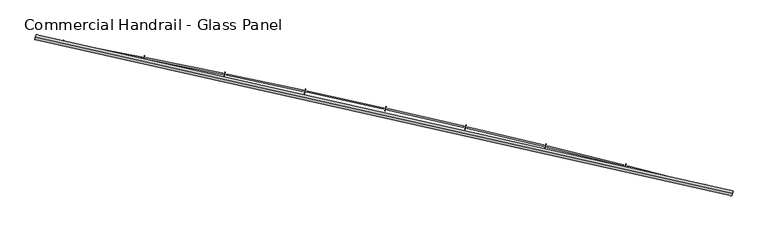
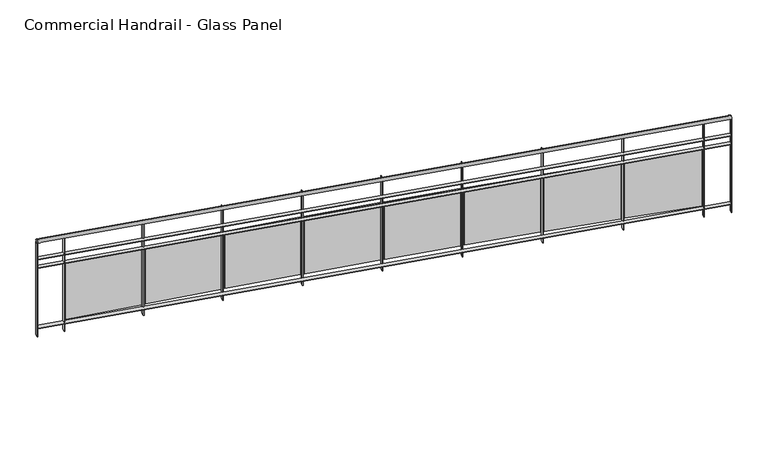
"""IFC4 building model written with IfcOpenShell, lengths in millimetres: railing geometry, Commercial Handrail - Glass Panel."""

from ifc_helpers import new_model, si_unit, point, frame, origin, place, context, project, spatial, polyline, circle_curve, ellipse_curve, trimmed, outline, extrude, source, transform, mapped, element, save
from ifc_brep_helpers import plane_surface, cylinder_surface, revolved_surface, advanced_brep


def commercial_handrail_glass_panel_d1165701(model_context):
    return source(origin(), model_context, "Body", "SolidModel", [
        advanced_brep(
        [(147529.5593555, -11171.1779597, 19682.5), (140754.7489821, -9648.612099, 19682.5), (140754.7489821, -9648.612099, 19717.5), (147529.5593555, -11171.1779597, 19717.5)],
        [
            (0, 1, circle_curve(frame((123990.1653691, -100078.2018552, 19682.5), z_axis=(0.0, 0.0, 1.0), x_axis=(0.18228230158229036, 0.9832462369772197, 0.0)), 91970.4407253)),
            (1, 2, ellipse_curve(frame((140754.7489821, -9648.612099, 19700.0), z_axis=(0.9832462369772187, -0.18228230158229672, 0.0), x_axis=(-0.1822823015822967, -0.9832462369772185, 0.0)), 25.0, 17.5)),
            (2, 3, circle_curve(frame((123990.1653691, -100078.2018552, 19717.5), z_axis=(0.0, 0.0, -1.0), x_axis=(0.18228230158229036, 0.9832462369772197, 0.0)), 91970.4407253)),
            (3, 0, ellipse_curve(frame((147529.5593555, -11171.1779597, 19700.0), z_axis=(-0.9666912890096803, 0.2559452124045356, 0.0), x_axis=(-0.2559452124045356, -0.9666912890096803, 0.0)), 25.0, 17.5)),
            (2, 1, ellipse_curve(frame((140754.7489821, -9648.612099, 19700.0), z_axis=(0.9832462369772187, -0.18228230158229672, 0.0), x_axis=(-0.1822823015822967, -0.9832462369772185, 0.0)), 25.0, 17.5)),
            (0, 3, ellipse_curve(frame((147529.5593555, -11171.1779597, 19700.0), z_axis=(-0.9666912890096803, 0.2559452124045356, 0.0), x_axis=(-0.2559452124045356, -0.9666912890096803, 0.0)), 25.0, 17.5)),
        ],
        [
            revolved_surface(trimmed(ellipse_curve(frame((140754.7489821, -9648.612099, 19700.0), z_axis=(-0.9832462369772197, 0.18228230158229036, 0.0), x_axis=(0.0, 0.0, -1.0)), 17.5, 25.0), [point((140754.7489821, -9648.612099, 19717.5))], [point((140754.7489821, -9648.612099, 19682.5))], True, "CARTESIAN"), (123990.1653691, -100078.2018552, 19700.0), (0.0, 0.0, -1.0)),
            revolved_surface(trimmed(ellipse_curve(frame((140754.7489821, -9648.612099, 19700.0), z_axis=(-0.9832462369772197, 0.18228230158229036, 0.0), x_axis=(0.0, 0.0, -1.0)), 17.5, 25.0), [point((140754.7489821, -9648.612099, 19682.5))], [point((140754.7489821, -9648.612099, 19717.5))], True, "CARTESIAN"), (123990.1653691, -100078.2018552, 19700.0), (0.0, 0.0, -1.0)),
            plane_surface(frame((140754.7489821, -9648.612099, 19700.0), z_axis=(-0.9832462369772198, 0.1822823015822904, 0.0), x_axis=(0.1822823015822904, 0.9832462369772198, 0.0))),
            plane_surface(frame((147529.5593555, -11171.1779597, 19700.0), z_axis=(0.9666912890096803, -0.25594521240453566, 0.0), x_axis=(0.25594521240453566, 0.9666912890096803, 0.0))),
        ],
        [
            (0, [[1, 2, 3, 4]]),
            (1, [[-3, 5, -1, 6]]),
            (2, [[-2, -5]]),
            (3, [[-6, -4]]),
        ],
    ),
        advanced_brep(
        [(147535.3181228, -11149.4274057, 19500.0), (140758.8503338, -9626.4890586, 19500.0), (140750.6476303, -9670.7351393, 19500.0), (147523.8005882, -11192.9285137, 19500.0), (147535.3181228, -11149.4274057, 19494.0), (140758.8503338, -9626.4890586, 19494.0), (147523.8005882, -11192.9285137, 19494.0), (140750.6476303, -9670.7351393, 19494.0)],
        [
            (0, 1, circle_curve(frame((123990.1653691, -100078.2018552, 19500.0), z_axis=(0.0, 0.0, 1.0), x_axis=(0.18228230158229036, 0.9832462369772197, 0.0)), 91992.9407253)),
            (1, 2),
            (2, 3, circle_curve(frame((123990.1653691, -100078.2018552, 19500.0), z_axis=(0.0, 0.0, -1.0), x_axis=(0.18228230158229036, 0.9832462369772197, 0.0)), 91947.9407253)),
            (3, 0),
            (4, 5, circle_curve(frame((123990.1653691, -100078.2018552, 19494.0), z_axis=(0.0, 0.0, 1.0), x_axis=(0.18228230158229036, 0.9832462369772197, 0.0)), 91992.9407253)),
            (5, 1),
            (0, 4),
            (6, 7, circle_curve(frame((123990.1653691, -100078.2018552, 19494.0), z_axis=(0.0, 0.0, 1.0), x_axis=(0.18228230158229036, 0.9832462369772197, 0.0)), 91947.9407253)),
            (7, 5),
            (4, 6),
            (2, 7),
            (6, 3),
        ],
        [
            plane_surface(frame((123990.1653691, -100078.2018552, 19500.0), z_axis=(0.0, 0.0, 1.0), x_axis=(0.18228230158229036, 0.9832462369772197, 0.0))),
            cylinder_surface(frame((123990.1653691, -100078.2018552, 19500.0), z_axis=(0.0, 0.0, -1.0), x_axis=(0.18228230158229036, 0.9832462369772197, 0.0)), 91992.9407253),
            plane_surface(frame((123990.1653691, -100078.2018552, 19494.0), z_axis=(0.0, 0.0, -1.0), x_axis=(0.18228230158229036, 0.9832462369772197, 0.0))),
            revolved_surface(polyline([(140750.6476302597, -9670.735139244323, 19494.0), (140750.6476302597, -9670.735139244323, 19500.0)]), (123990.1653691, -100078.2018552, 19500.0), (0.0, 0.0, -1.0)),
            plane_surface(frame((140754.7489821, -9648.612099, 19500.0), z_axis=(-0.9832462369772198, 0.1822823015822904, 0.0), x_axis=(0.1822823015822904, 0.9832462369772198, 0.0))),
            plane_surface(frame((147529.5593555, -11171.1779597, 19500.0), z_axis=(0.9666912890096803, -0.25594521240453566, 0.0), x_axis=(0.25594521240453566, 0.9666912890096803, 0.0))),
        ],
        [
            (0, [[1, 2, 3, 4]]),
            (1, [[5, 6, -1, 7]]),
            (2, [[8, 9, -5, 10]]),
            (3, [[-3, 11, -8, 12]]),
            (4, [[-2, -6, -9, -11]]),
            (5, [[-12, -10, -7, -4]]),
        ],
    ),
        advanced_brep(
        [(147535.3181228, -11149.4274057, 19400.0), (140758.8503338, -9626.4890586, 19400.0), (140750.6476303, -9670.7351393, 19400.0), (147523.8005882, -11192.9285137, 19400.0), (147535.3181228, -11149.4274057, 19394.0), (140758.8503338, -9626.4890586, 19394.0), (147523.8005882, -11192.9285137, 19394.0), (140750.6476303, -9670.7351393, 19394.0)],
        [
            (0, 1, circle_curve(frame((123990.1653691, -100078.2018552, 19400.0), z_axis=(0.0, 0.0, 1.0), x_axis=(0.18228230158229036, 0.9832462369772197, 0.0)), 91992.9407253)),
            (1, 2),
            (2, 3, circle_curve(frame((123990.1653691, -100078.2018552, 19400.0), z_axis=(0.0, 0.0, -1.0), x_axis=(0.18228230158229036, 0.9832462369772197, 0.0)), 91947.9407253)),
            (3, 0),
            (4, 5, circle_curve(frame((123990.1653691, -100078.2018552, 19394.0), z_axis=(0.0, 0.0, 1.0), x_axis=(0.18228230158229036, 0.9832462369772197, 0.0)), 91992.9407253)),
            (5, 1),
            (0, 4),
            (6, 7, circle_curve(frame((123990.1653691, -100078.2018552, 19394.0), z_axis=(0.0, 0.0, 1.0), x_axis=(0.18228230158229036, 0.9832462369772197, 0.0)), 91947.9407253)),
            (7, 5),
            (4, 6),
            (2, 7),
            (6, 3),
        ],
        [
            plane_surface(frame((123990.1653691, -100078.2018552, 19400.0), z_axis=(0.0, 0.0, 1.0), x_axis=(0.18228230158229036, 0.9832462369772197, 0.0))),
            cylinder_surface(frame((123990.1653691, -100078.2018552, 19400.0), z_axis=(0.0, 0.0, -1.0), x_axis=(0.18228230158229036, 0.9832462369772197, 0.0)), 91992.9407253),
            plane_surface(frame((123990.1653691, -100078.2018552, 19394.0), z_axis=(0.0, 0.0, -1.0), x_axis=(0.18228230158229036, 0.9832462369772197, 0.0))),
            revolved_surface(polyline([(140750.6476302597, -9670.735139244323, 19394.0), (140750.6476302597, -9670.735139244323, 19400.0)]), (123990.1653691, -100078.2018552, 19400.0), (0.0, 0.0, -1.0)),
            plane_surface(frame((140754.7489821, -9648.612099, 19400.0), z_axis=(-0.9832462369772198, 0.1822823015822904, 0.0), x_axis=(0.1822823015822904, 0.9832462369772198, 0.0))),
            plane_surface(frame((147529.5593555, -11171.1779597, 19400.0), z_axis=(0.9666912890096803, -0.25594521240453566, 0.0), x_axis=(0.25594521240453566, 0.9666912890096803, 0.0))),
        ],
        [
            (0, [[1, 2, 3, 4]]),
            (1, [[5, 6, -1, 7]]),
            (2, [[8, 9, -5, 10]]),
            (3, [[-3, 11, -8, 12]]),
            (4, [[-2, -6, -9, -11]]),
            (5, [[-12, -10, -7, -4]]),
        ],
    ),
        advanced_brep(
        [(147535.3181228, -11149.4274057, 18700.0), (140758.8503338, -9626.4890586, 18700.0), (140750.6476303, -9670.7351393, 18700.0), (147523.8005882, -11192.9285137, 18700.0), (147535.3181228, -11149.4274057, 18694.0), (140758.8503338, -9626.4890586, 18694.0), (147523.8005882, -11192.9285137, 18694.0), (140750.6476303, -9670.7351393, 18694.0)],
        [
            (0, 1, circle_curve(frame((123990.1653691, -100078.2018552, 18700.0), z_axis=(0.0, 0.0, 1.0), x_axis=(0.18228230158229036, 0.9832462369772197, 0.0)), 91992.9407253)),
            (1, 2),
            (2, 3, circle_curve(frame((123990.1653691, -100078.2018552, 18700.0), z_axis=(0.0, 0.0, -1.0), x_axis=(0.18228230158229036, 0.9832462369772197, 0.0)), 91947.9407253)),
            (3, 0),
            (4, 5, circle_curve(frame((123990.1653691, -100078.2018552, 18694.0), z_axis=(0.0, 0.0, 1.0), x_axis=(0.18228230158229036, 0.9832462369772197, 0.0)), 91992.9407253)),
            (5, 1),
            (0, 4),
            (6, 7, circle_curve(frame((123990.1653691, -100078.2018552, 18694.0), z_axis=(0.0, 0.0, 1.0), x_axis=(0.18228230158229036, 0.9832462369772197, 0.0)), 91947.9407253)),
            (7, 5),
            (4, 6),
            (2, 7),
            (6, 3),
        ],
        [
            plane_surface(frame((123990.1653691, -100078.2018552, 18700.0), z_axis=(0.0, 0.0, 1.0), x_axis=(0.18228230158229036, 0.9832462369772197, 0.0))),
            cylinder_surface(frame((123990.1653691, -100078.2018552, 18700.0), z_axis=(0.0, 0.0, -1.0), x_axis=(0.18228230158229036, 0.9832462369772197, 0.0)), 91992.9407253),
            plane_surface(frame((123990.1653691, -100078.2018552, 18694.0), z_axis=(0.0, 0.0, -1.0), x_axis=(0.18228230158229036, 0.9832462369772197, 0.0))),
            revolved_surface(polyline([(140750.6476302597, -9670.735139244323, 18694.0), (140750.6476302597, -9670.735139244323, 18700.0)]), (123990.1653691, -100078.2018552, 18700.0), (0.0, 0.0, -1.0)),
            plane_surface(frame((140754.7489821, -9648.612099, 18700.0), z_axis=(-0.9832462369772198, 0.1822823015822904, 0.0), x_axis=(0.1822823015822904, 0.9832462369772198, 0.0))),
            plane_surface(frame((147529.5593555, -11171.1779597, 18700.0), z_axis=(0.9666912890096803, -0.25594521240453566, 0.0), x_axis=(0.25594521240453566, 0.9666912890096803, 0.0))),
        ],
        [
            (0, [[1, 2, 3, 4]]),
            (1, [[5, 6, -1, 7]]),
            (2, [[8, 9, -5, 10]]),
            (3, [[-3, 11, -8, 12]]),
            (4, [[-2, -6, -9, -11]]),
            (5, [[-12, -10, -7, -4]]),
        ],
    ),
        extrude(outline(polyline([(147257.221986, -11122.7754383), (147268.6104754, -11079.2403685), (147274.4151514, -11080.7588337), (147263.0266619, -11124.2939036), (147257.221986, -11122.7754383)])), frame((0.0, 0.0, 18600.0), z_axis=(0.0, 0.0, 1.0), x_axis=(1.0, 0.0, 0.0)), (0.0, 0.0, 1.0), 1082.1192282),
        extrude(outline(polyline([(146512.0701942, -10900.9970799), (147248.1587203, -11090.1363983), (147245.17231, -11101.7588487), (146509.0837839, -10912.6195303), (146512.0701942, -10900.9970799)])), frame((0.0, 0.0, 18720.0), z_axis=(0.0, 0.0, 1.0), x_axis=(1.0, 0.0, 0.0)), (0.0, 0.0, 1.0), 660.0),
        extrude(outline(polyline([(146482.5774638, -10923.7560279), (146493.5868397, -10880.1235441), (146499.4045042, -10881.5914608), (146488.3951283, -10925.2239446), (146482.5774638, -10923.7560279)])), frame((0.0, 0.0, 18600.0), z_axis=(0.0, 0.0, 1.0), x_axis=(1.0, 0.0, 0.0)), (0.0, 0.0, 1.0), 1082.1192282),
        extrude(outline(polyline([(145735.524759, -10708.4676411), (146473.2306356, -10891.1970579), (146470.3454342, -10902.8450454), (145732.6395577, -10720.1156287), (145735.524759, -10708.4676411)])), frame((0.0, 0.0, 18720.0), z_axis=(0.0, 0.0, 1.0), x_axis=(1.0, 0.0, 0.0)), (0.0, 0.0, 1.0), 660.0),
        extrude(outline(polyline([(145706.2311094, -10731.4822658), (145716.8605387, -10687.7556694), (145722.6907516, -10689.1729267), (145712.0613222, -10732.8995231), (145706.2311094, -10731.4822658)])), frame((0.0, 0.0, 18600.0), z_axis=(0.0, 0.0, 1.0), x_axis=(1.0, 0.0, 0.0)), (0.0, 0.0, 1.0), 1082.1192282),
        extrude(outline(polyline([(144957.3340156, -10522.7001401), (145696.6014259, -10699.0058295), (145693.8176518, -10710.6784728), (144954.5502416, -10534.3727835), (144957.3340156, -10522.7001401)])), frame((0.0, 0.0, 18720.0), z_axis=(0.0, 0.0, 1.0), x_axis=(1.0, 0.0, 0.0)), (0.0, 0.0, 1.0), 660.0),
        extrude(outline(polyline([(144928.2416631, -10545.9687002), (144938.4903417, -10502.1512997), (144944.3326617, -10503.5177901), (144934.0839832, -10547.3351907), (144928.2416631, -10545.9687002)])), frame((0.0, 0.0, 18600.0), z_axis=(0.0, 0.0, 1.0), x_axis=(1.0, 0.0, 0.0)), (0.0, 0.0, 1.0), 1082.1192282),
        extrude(outline(polyline([(144177.5568437, -10343.7086325), (144918.3298529, -10513.5772547), (144915.6477168, -10525.2736707), (144174.8747076, -10355.4050484), (144177.5568437, -10343.7086325)])), frame((0.0, 0.0, 18720.0), z_axis=(0.0, 0.0, 1.0), x_axis=(1.0, 0.0, 0.0)), (0.0, 0.0, 1.0), 660.0),
        extrude(outline(polyline([(144148.6679896, -10367.2293674), (144158.5351419, -10323.324478), (144164.3891271, -10324.6400983), (144154.5219749, -10368.5449877), (144148.6679896, -10367.2293674)])), frame((0.0, 0.0, 18600.0), z_axis=(0.0, 0.0, 1.0), x_axis=(1.0, 0.0, 0.0)), (0.0, 0.0, 1.0), 1082.1192282),
        extrude(outline(polyline([(143396.2522433, -10171.5066611), (144138.4748027, -10334.9253636), (144135.8945074, -10346.6446671), (143393.671948, -10183.2259647), (143396.2522433, -10171.5066611)])), frame((0.0, 0.0, 18720.0), z_axis=(0.0, 0.0, 1.0), x_axis=(1.0, 0.0, 0.0)), (0.0, 0.0, 1.0), 660.0),
        extrude(outline(polyline([(143367.5690734, -10195.2777912), (143377.0539528, -10151.288735), (143382.9191603, -10152.5533856), (143373.4342809, -10196.5424418), (143367.5690734, -10195.2777912)])), frame((0.0, 0.0, 18600.0), z_axis=(0.0, 0.0, 1.0), x_axis=(1.0, 0.0, 0.0)), (0.0, 0.0, 1.0), 1082.1192282),
        extrude(outline(polyline([(142613.4793297, -10006.1072553), (143357.0952809, -10163.0636733), (143354.6170217, -10174.8049778), (142611.0010705, -10017.8485598), (142613.4793297, -10006.1072553)])), frame((0.0, 0.0, 18720.0), z_axis=(0.0, 0.0, 1.0), x_axis=(1.0, 0.0, 0.0)), (0.0, 0.0, 1.0), 660.0),
        extrude(outline(polyline([(142585.0040143, -10030.126982), (142594.1059033, -9986.0570873), (142599.9818892, -9987.2706725), (142590.8800002, -10031.3405672), (142585.0040143, -10030.126982)])), frame((0.0, 0.0, 18600.0), z_axis=(0.0, 0.0, 1.0), x_axis=(1.0, 0.0, 0.0)), (0.0, 0.0, 1.0), 1082.1192282),
        extrude(outline(polyline([(141829.2973297, -9847.5229296), (142574.2504088, -9998.0051873), (142571.8743732, -10009.7676044), (141826.921294, -9859.2853466), (141829.2973297, -9847.5229296)])), frame((0.0, 0.0, 18720.0), z_axis=(0.0, 0.0, 1.0), x_axis=(1.0, 0.0, 0.0)), (0.0, 0.0, 1.0), 660.0),
        extrude(outline(polyline([(141801.0320231, -9871.7894354), (141809.750233, -9827.6420367), (141815.6365528, -9828.8044646), (141806.918343, -9872.9518634), (141801.0320231, -9871.7894354)])), frame((0.0, 0.0, 18600.0), z_axis=(0.0, 0.0, 1.0), x_axis=(1.0, 0.0, 0.0)), (0.0, 0.0, 1.0), 1082.1192282),
        extrude(outline(polyline([(141043.7655762, -9695.7656828), (141789.9994183, -9839.7623945), (141787.725786, -9851.5450341), (141041.491944, -9707.5483224), (141043.7655762, -9695.7656828)])), frame((0.0, 0.0, 18720.0), z_axis=(0.0, 0.0, 1.0), x_axis=(1.0, 0.0, 0.0)), (0.0, 0.0, 1.0), 660.0),
        extrude(outline(polyline([(141015.7124173, -9720.2771318), (141024.0462883, -9676.0555692), (141029.9424967, -9677.166752), (141021.6086256, -9721.3883146), (141015.7124173, -9720.2771318)])), frame((0.0, 0.0, 18600.0), z_axis=(0.0, 0.0, 1.0), x_axis=(1.0, 0.0, 0.0)), (0.0, 0.0, 1.0), 1082.1192282),
        extrude(outline(polyline([(147520.9005143, -11192.1606781), (147532.4180489, -11148.6595701), (147538.2181966, -11150.1952413), (147526.7006621, -11193.6963494), (147520.9005143, -11192.1606781)])), frame((0.0, 0.0, 18600.0), z_axis=(0.0, 0.0, 1.0), x_axis=(1.0, 0.0, 0.0)), (0.0, 0.0, 1.0), 1082.1192282),
        extrude(outline(polyline([(140747.6978916, -9670.1882924), (140755.9005951, -9625.9422117), (140761.8000726, -9627.0359055), (140753.597369, -9671.2819862), (140747.6978916, -9670.1882924)])), frame((0.0, 0.0, 18600.0), z_axis=(0.0, 0.0, 1.0), x_axis=(1.0, 0.0, 0.0)), (0.0, 0.0, 1.0), 1082.1192282),
    ])


if __name__ == "__main__":
    model = new_model("IFC4")
    model_context = context("Model", 3, world=origin())
    ifc_project = project(units=[si_unit("LENGTHUNIT", "METRE", prefix="MILLI")], contexts=[model_context])
    site = spatial("IfcSite", under=ifc_project)
    building = spatial("IfcBuilding", under=site)
    placement = place(None, origin())
    commercial_handrail_glass_panel_shape = commercial_handrail_glass_panel_d1165701(model_context)
    element("IfcRailing", 1, ObjectType="Commercial Handrail - Glass Panel", at=placement, inside=building, context=model_context, shape_type="MappedRepresentation", body=[
        mapped(commercial_handrail_glass_panel_shape, transform((0.0, 0.0, 0.0), x_axis=(1.0, 0.0, 0.0), y_axis=(0.0, 1.0, 0.0), z_axis=(0.0, 0.0, 1.0))),
    ])
    save(model, "model.ifc")
